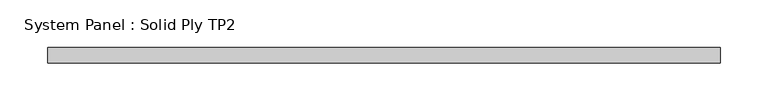
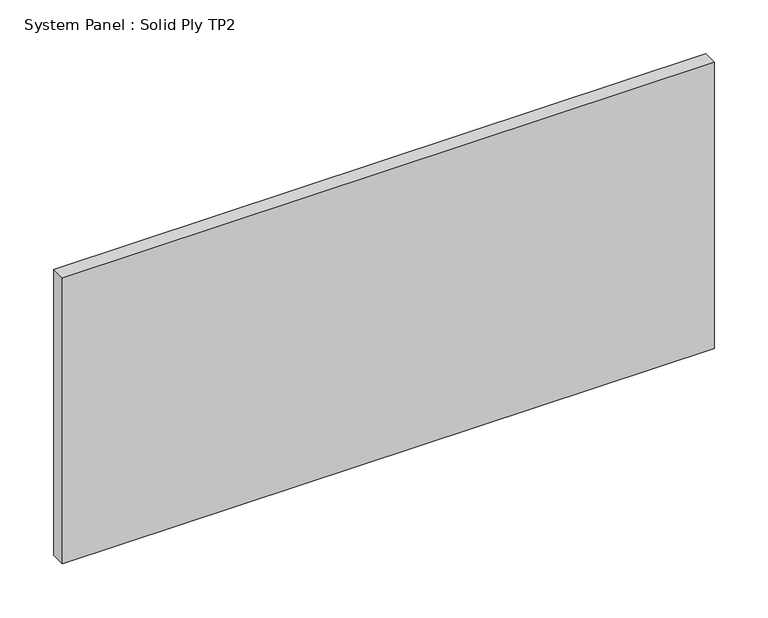
"""IFC4 building model written with IfcOpenShell, lengths in millimetres: plate geometry, System Panel : Solid Ply TP2."""

from ifc_helpers import new_model, si_unit, origin, origin_with_axes, place, context, project, spatial, polyline, outline, extrude, source, transform, mapped, element, save


def system_panel_solid_ply_tp2_afcaea38(model_context):
    return source(origin(), model_context, "Body", "SweptSolid", [
        extrude(outline(polyline([(350.0000002, -23.0), (-350.0000002, -23.0), (-350.0000002, -7.0), (350.0000002, -7.0), (350.0000002, -23.0)])), origin_with_axes(), (0.0, 0.0, 1.0), 325.0),
    ])


if __name__ == "__main__":
    model = new_model("IFC4")
    model_context = context("Model", 3, world=origin())
    ifc_project = project(units=[si_unit("LENGTHUNIT", "METRE", prefix="MILLI")], contexts=[model_context])
    site = spatial("IfcSite", under=ifc_project)
    building = spatial("IfcBuilding", under=site)
    placement = place(None, origin())
    system_panel_solid_ply_tp2_shape = system_panel_solid_ply_tp2_afcaea38(model_context)
    element("IfcPlate", 1, ObjectType="System Panel : Solid Ply TP2", at=placement, inside=building, context=model_context, shape_type="MappedRepresentation", body=[
        mapped(system_panel_solid_ply_tp2_shape, transform((0.0, 0.0, 0.0), x_axis=(1.0, 0.0, 0.0), y_axis=(0.0, 1.0, 0.0), z_axis=(0.0, 0.0, 1.0))),
    ])
    save(model, "model.ifc")
